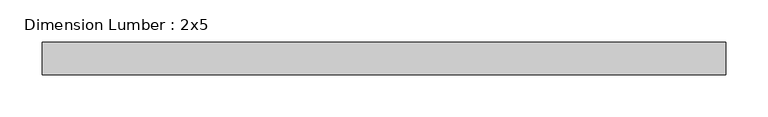
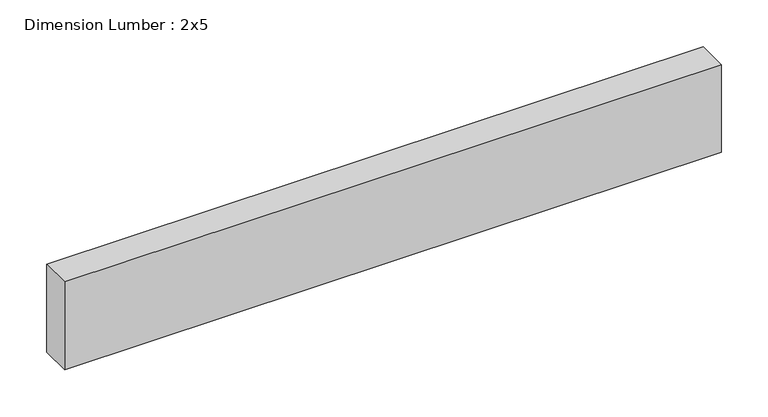
"""IFC4 building model written with IfcOpenShell, lengths in millimetres: beam geometry, Dimension Lumber : 2x5."""

from ifc_helpers import new_model, si_unit, frame, origin, place, context, project, spatial, polyline, outline, extrude, source, transform, mapped, element, save


def dimension_lumber_2x5_59c8c110(model_context):
    return source(origin(), model_context, "Body", "SweptSolid", [
        extrude(outline(polyline([(403.9939051, 19.05), (403.9939051, -19.05), (-403.9939051, -19.05), (-403.9939051, 19.05), (403.9939051, 19.05)])), frame((0.0, 0.0, -57.15), z_axis=(0.0, 0.0, 1.0), x_axis=(1.0, 0.0, 0.0)), (0.0, 0.0, 1.0), 114.3),
    ])


if __name__ == "__main__":
    model = new_model("IFC4")
    model_context = context("Model", 3, world=origin())
    ifc_project = project(units=[si_unit("LENGTHUNIT", "METRE", prefix="MILLI")], contexts=[model_context])
    site = spatial("IfcSite", under=ifc_project)
    building = spatial("IfcBuilding", under=site)
    placement = place(None, origin())
    dimension_lumber_2x5_shape = dimension_lumber_2x5_59c8c110(model_context)
    element("IfcBeam", 1, ObjectType="Dimension Lumber : 2x5", at=placement, inside=building, context=model_context, shape_type="MappedRepresentation", body=[
        mapped(dimension_lumber_2x5_shape, transform((0.0, 0.0, 0.0), x_axis=(1.0, 0.0, 0.0), y_axis=(0.0, 1.0, 0.0), z_axis=(0.0, 0.0, 1.0))),
    ])
    save(model, "model.ifc")
